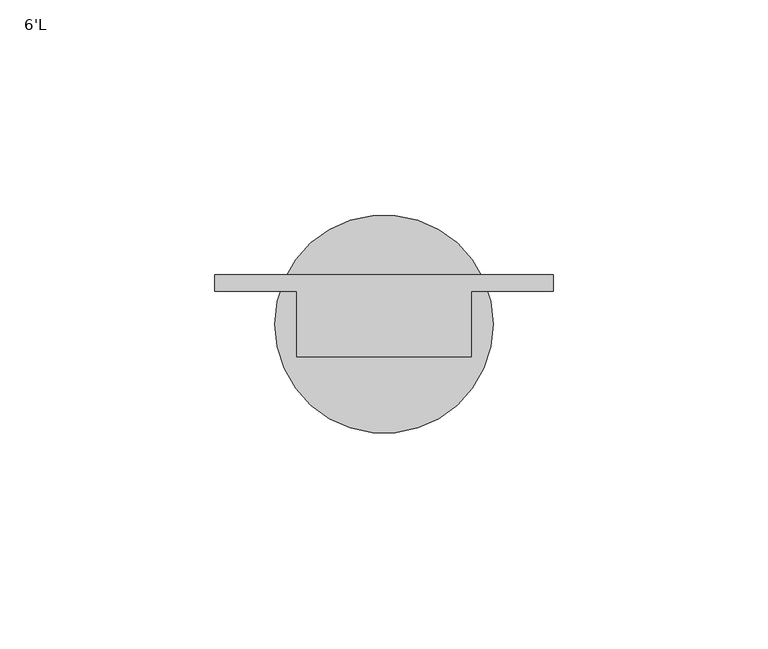
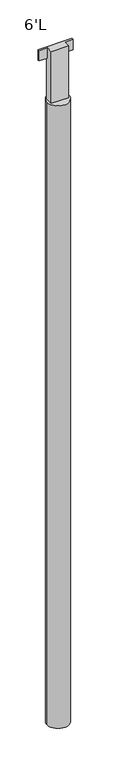
"""IFC4 building model written with IfcOpenShell, lengths in millimetres: furniture geometry, 6'L."""

from ifc_helpers import new_model, si_unit, point, origin, origin_with_axes, origin_2d, place, context, project, spatial, circle_curve, trimmed, segment, composite_curve, outline, extrude, faceted_brep, source, transform, mapped, element, save


def furniture_6_l_22e917d4(model_context):
    return source(origin(), model_context, "Body", "SolidModel", [
        faceted_brep([(-39.37, 11.43, 1651.0), (-39.37, 7.62, 1651.0), (-20.32, 7.62, 1651.0), (-20.32, -7.62, 1651.0), (20.32, -7.62, 1651.0), (20.32, 7.62, 1651.0), (39.37, 7.62, 1651.0), (39.37, 11.43, 1651.0), (20.32, 11.43, 1524.0), (20.32, -7.62, 1524.0), (-20.32, -7.62, 1524.0), (-20.32, 11.43, 1524.0), (-39.37, 11.43, 1625.6), (-39.37, 7.62, 1625.6), (-20.32, 7.62, 1625.6), (-20.32, 11.43, 1625.6), (20.32, 11.43, 1625.6), (20.32, 7.62, 1625.6), (39.37, 7.62, 1625.6), (39.37, 11.43, 1625.6)], [[[0, 1, 2, 3, 4, 5, 6, 7]], [[8, 9, 10, 11]], [[1, 0, 12, 13]], [[2, 1, 13, 14]], [[3, 2, 14, 15, 11, 10]], [[9, 4, 3, 10]], [[5, 4, 9, 8, 16, 17]], [[6, 5, 17, 18]], [[7, 6, 18, 19]], [[0, 7, 19, 16, 8, 11, 15, 12]], [[15, 14, 13, 12]], [[17, 16, 19, 18]]]),
        extrude(outline(composite_curve([segment(trimmed(circle_curve(origin_2d(), 25.4), [point((-25.4, 0.0))], [point((25.4, 0.0))], False, "CARTESIAN"), True, "CONTINUOUS"), segment(trimmed(circle_curve(origin_2d(), 25.4), [point((25.4, 0.0))], [point((-25.4, 0.0))], False, "CARTESIAN"), True, "CONTINUOUS")], self_intersect=False)), origin_with_axes(), (0.0, 0.0, 1.0), 1524.0),
    ])


if __name__ == "__main__":
    model = new_model("IFC4")
    model_context = context("Model", 3, world=origin())
    ifc_project = project(units=[si_unit("LENGTHUNIT", "METRE", prefix="MILLI")], contexts=[model_context])
    site = spatial("IfcSite", under=ifc_project)
    building = spatial("IfcBuilding", under=site)
    placement = place(None, origin())
    furniture_6_l_shape = furniture_6_l_22e917d4(model_context)
    element("IfcFurniture", 1, ObjectType="6'L", at=placement, inside=building, context=model_context, shape_type="MappedRepresentation", body=[
        mapped(furniture_6_l_shape, transform((0.0, 0.0, 0.0), x_axis=(1.0, 0.0, 0.0), y_axis=(0.0, 1.0, 0.0), z_axis=(0.0, 0.0, 1.0))),
    ])
    save(model, "model.ifc")
